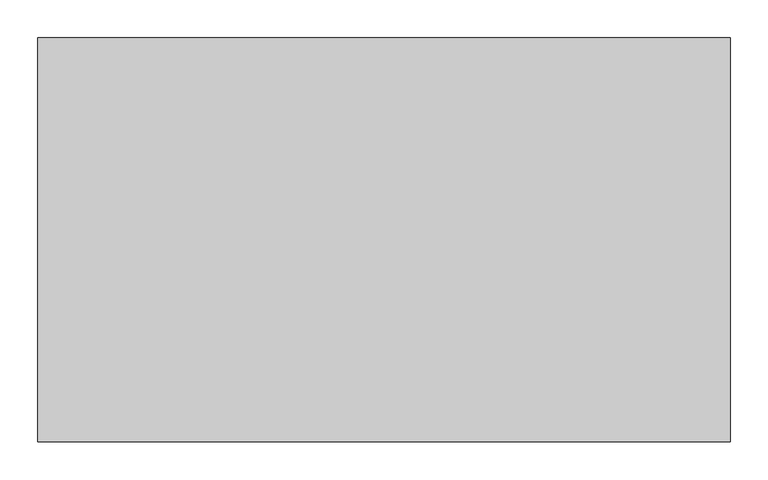
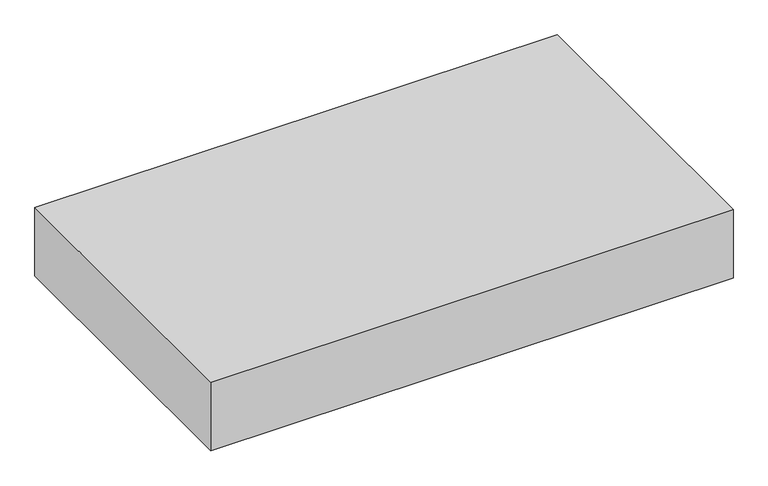
"""IFC4 building model written with IfcOpenShell, lengths in millimetres: proxy geometry."""

from ifc_helpers import new_model, si_unit, origin, origin_with_axes, place, context, project, spatial, polyline, outline, extrude, source, transform, mapped, element, save


def specialty_equipment_ed87bb6a(model_context):
    return source(origin(), model_context, "Body", "SweptSolid", [
        extrude(outline(polyline([(457.2, 0.0), (-457.2, 0.0), (-457.2, 533.4), (457.2, 533.4), (457.2, 0.0)])), origin_with_axes(), (0.0, 0.0, 1.0), 127.0),
        extrude(outline(polyline([(457.2, 0.0), (-457.2, 0.0), (-457.2, 533.4), (457.2, 533.4), (457.2, 0.0)])), origin_with_axes(), (0.0, 0.0, 1.0), 127.0),
    ])


if __name__ == "__main__":
    model = new_model("IFC4")
    model_context = context("Model", 3, world=origin())
    ifc_project = project(units=[si_unit("LENGTHUNIT", "METRE", prefix="MILLI")], contexts=[model_context])
    site = spatial("IfcSite", under=ifc_project)
    building = spatial("IfcBuilding", under=site)
    placement = place(None, origin())
    specialty_equipment_shape = specialty_equipment_ed87bb6a(model_context)
    element("IfcBuildingElementProxy", 1, Name="Specialty Equipment", at=placement, inside=building, context=model_context, shape_type="MappedRepresentation", body=[
        mapped(specialty_equipment_shape, transform((0.0, 0.0, 0.0), x_axis=(1.0, 0.0, 0.0), y_axis=(0.0, 1.0, 0.0), z_axis=(0.0, 0.0, 1.0))),
    ])
    save(model, "model.ifc")
